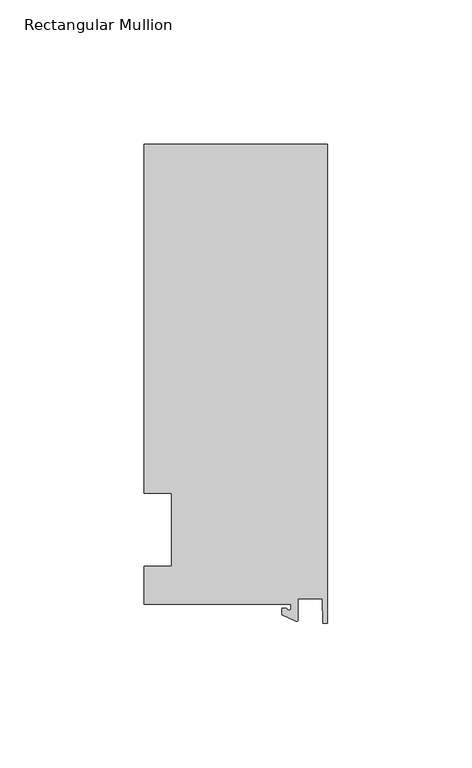
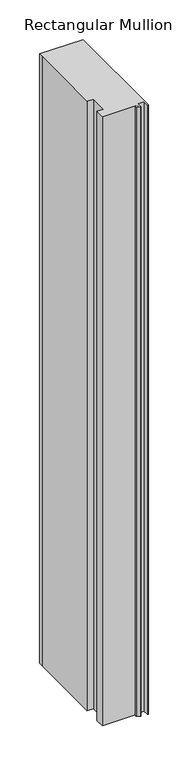
"""IFC4 building model written with IfcOpenShell, lengths in millimetres: member geometry, Rectangular Mullion."""

from ifc_helpers import new_model, si_unit, point, frame, frame_2d, origin, place, context, project, spatial, polyline, circle_curve, trimmed, segment, composite_curve, outline, extrude, source, transform, mapped, element, save


def rectangular_mullion_2aeed49f(model_context):
    return source(origin(), model_context, "Body", "SweptSolid", [
        extrude(outline(composite_curve([segment(polyline([(-12.6173814, -25.796875), (-63.5, -25.796875), (-63.5, -12.7), (-53.975, -12.7), (-53.975, 12.7), (-63.5, 12.7), (-63.5, 125.8114907), (-63.5, 133.34365), (0.0, 133.34365), (0.0, -32.288874), (-1.5658966, -32.288874), (-1.7144124, -23.9227662), (-10.2297814, -23.9227662), (-10.2297814, -31.2414327)]), True, "CONTINUOUS"), segment(trimmed(circle_curve(frame_2d((-10.7377814, -31.2414327)), 0.508), [point((-10.2297814, -31.2414327))], [point((-10.9524715, -31.7018371))], False, "CARTESIAN"), True, "CONTINUOUS"), segment(polyline([(-10.9524715, -31.7018371), (-15.7923814, -29.44495), (-15.7923814, -27.0827507), (-14.2048814, -27.0827507)]), True, "CONTINUOUS"), segment(trimmed(circle_curve(frame_2d((-13.4111314, -27.0827507)), 0.79375), [point((-14.2048814, -27.0827507))], [point((-12.6173814, -27.0827507))], True, "CARTESIAN"), True, "CONTINUOUS"), segment(polyline([(-12.6173814, -27.0827507), (-12.6173814, -25.796875)]), True, "CONTINUOUS")], self_intersect=False)), frame((0.0, 0.0, -939.8), z_axis=(0.0, 0.0, 1.0), x_axis=(1.0, 0.0, 0.0)), (0.0, 0.0, 1.0), 939.8),
    ])


if __name__ == "__main__":
    model = new_model("IFC4")
    model_context = context("Model", 3, world=origin())
    ifc_project = project(units=[si_unit("LENGTHUNIT", "METRE", prefix="MILLI")], contexts=[model_context])
    site = spatial("IfcSite", under=ifc_project)
    building = spatial("IfcBuilding", under=site)
    placement = place(None, origin())
    rectangular_mullion_shape = rectangular_mullion_2aeed49f(model_context)
    element("IfcMember", 1, ObjectType="Rectangular Mullion", at=placement, inside=building, context=model_context, shape_type="MappedRepresentation", body=[
        mapped(rectangular_mullion_shape, transform((0.0, 0.0, 0.0), x_axis=(1.0, 0.0, 0.0), y_axis=(0.0, 1.0, 0.0), z_axis=(0.0, 0.0, 1.0))),
    ])
    save(model, "model.ifc")
